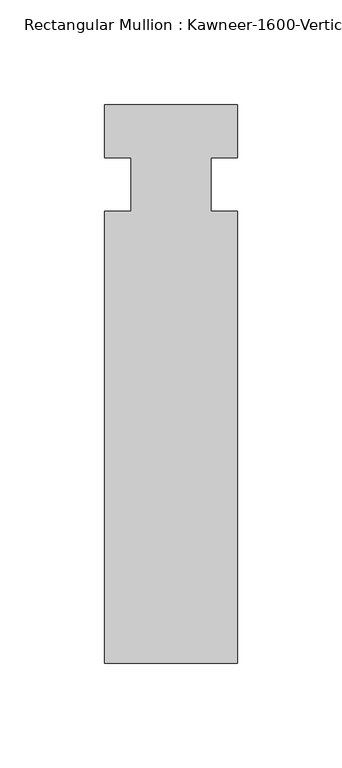
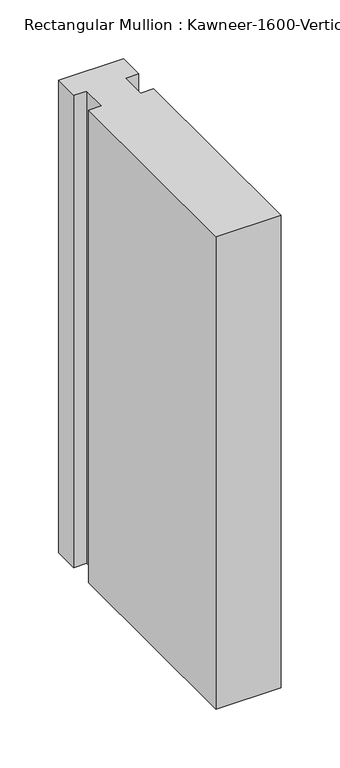
"""IFC4 building model written with IfcOpenShell, lengths in millimetres: member geometry."""

from ifc_helpers import new_model, si_unit, frame, origin, place, context, project, spatial, polyline, outline, extrude, source, transform, mapped, element, save


def member_024e949b(model_context):
    return source(origin(), model_context, "Body", "SweptSolid", [
        extrude(outline(polyline([(31.75, -228.6), (-31.75, -228.6), (-31.75, -12.7), (-19.05, -12.7), (-19.05, 12.7), (-31.75, 12.7), (-31.75, 38.1), (31.75, 38.1), (31.75, 12.7), (19.05, 12.7), (19.05, -12.7), (31.75, -12.7), (31.75, -228.6)])), frame((0.0, 0.0, -488.95), z_axis=(0.0, 0.0, 1.0), x_axis=(1.0, 0.0, 0.0)), (0.0, 0.0, 1.0), 488.95),
    ])


if __name__ == "__main__":
    model = new_model("IFC4")
    model_context = context("Model", 3, world=origin())
    ifc_project = project(units=[si_unit("LENGTHUNIT", "METRE", prefix="MILLI")], contexts=[model_context])
    site = spatial("IfcSite", under=ifc_project)
    building = spatial("IfcBuilding", under=site)
    placement = place(None, origin())
    member_shape = member_024e949b(model_context)
    element("IfcMember", 1, ObjectType="Rectangular Mullion : Kawneer-1600-Vertical_Interior-System1-10_1/2\"-1\"Infill", at=placement, inside=building, context=model_context, shape_type="MappedRepresentation", body=[
        mapped(member_shape, transform((0.0, 0.0, 0.0), x_axis=(1.0, 0.0, 0.0), y_axis=(0.0, 1.0, 0.0), z_axis=(0.0, 0.0, 1.0))),
    ])
    save(model, "model.ifc")
